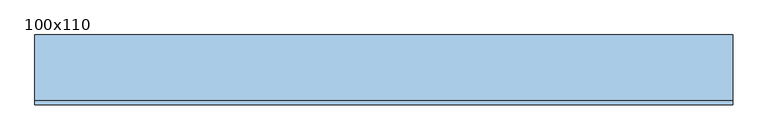
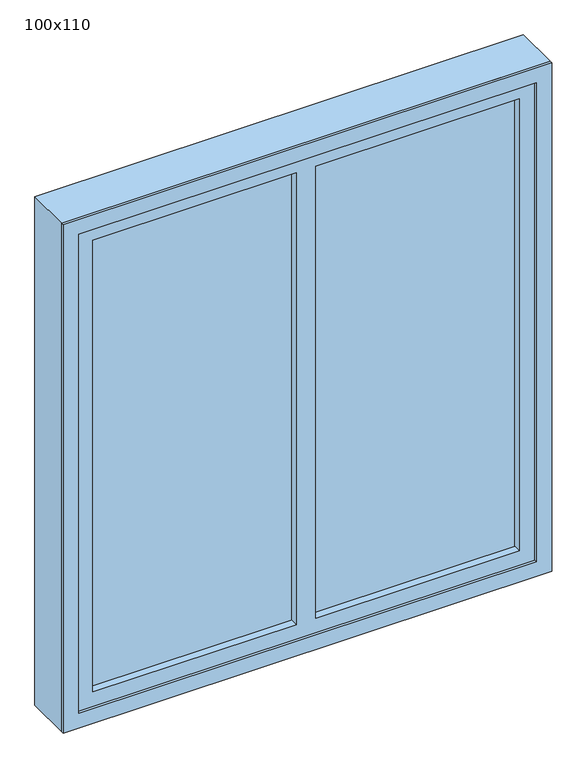
"""IFC4 building model written with IfcOpenShell, lengths in millimetres: window geometry, 100x110."""

from ifc_helpers import new_model, si_unit, frame, origin, place, context, project, spatial, polyline, outline, extrude, faceted_brep, source, transform, mapped, element, save


def window_100x110_844a8e47(model_context):
    return source(origin(), model_context, "Body", "SolidModel", [
        extrude(outline(polyline([(398.4, -28.575), (-474.6, -28.575), (-474.6, -15.875), (398.4, -15.875), (398.4, -28.575)])), frame((0.0, 0.0, 977.9), z_axis=(0.0, 0.0, 1.0), x_axis=(1.0, 0.0, 0.0)), (0.0, 0.0, 1.0), 977.45),
        extrude(outline(polyline([(2014.4, -538.1), (914.4, -538.1), (914.4, 461.9), (2014.4, 461.9), (2014.4, -538.1)]), holes=[polyline([(1982.65, -506.35), (1982.65, 430.15), (946.15, 430.15), (946.15, -506.35), (1982.65, -506.35)])]), frame((0.0, -50.0, 0.0), z_axis=(0.0, 1.0, 0.0), x_axis=(0.0, 0.0, 1.0)), (0.0, 0.0, 1.0), 5.55),
        faceted_brep([(442.85, 0.0, 1995.35), (442.85, 0.0, 933.45), (-519.05, 0.0, 933.45), (-519.05, 0.0, 1995.35), (-58.1, 0.0, 1995.35), (-18.1, 0.0, 1995.35), (-474.6, 0.0, 1955.35), (-474.6, 0.0, 977.9), (-58.1, 0.0, 977.9), (-58.1, 0.0, 1955.35), (398.4, 0.0, 977.9), (398.4, 0.0, 1955.35), (-18.1, 0.0, 1955.35), (-18.1, 0.0, 977.9), (-474.6, -44.45, 1955.35), (-474.6, -44.45, 977.9), (-58.1, -44.45, 977.9), (398.4, -44.45, 977.9), (-18.1, -44.45, 977.9), (-58.1, -44.45, 1955.35), (398.4, -44.45, 1955.35), (-18.1, -44.45, 1955.35), (442.85, 50.0, 1995.35), (442.85, 50.0, 933.45), (-519.05, 50.0, 933.45), (-519.05, 50.0, 1995.35), (461.9, -44.45, 2014.4), (-538.1, -44.45, 2014.4), (-538.1, -44.45, 914.4), (461.9, -44.45, 914.4), (-538.1, 50.0, 2014.4), (-538.1, 50.0, 914.4), (461.9, 50.0, 914.4), (461.9, 50.0, 2014.4)], [[[0, 1, 2, 3, 4, 5], [6, 7, 8, 9], [10, 11, 12, 13]], [[7, 6, 14, 15]], [[7, 15, 16, 8]], [[17, 10, 13, 18]], [[9, 8, 16, 19]], [[11, 10, 17, 20]], [[21, 18, 13, 12]], [[22, 23, 1, 0]], [[23, 24, 2, 1]], [[24, 25, 3, 2]], [[26, 27, 28, 29], [15, 14, 19, 16], [20, 17, 18, 21]], [[28, 27, 30, 31]], [[29, 28, 31, 32]], [[26, 29, 32, 33]], [[33, 32, 31, 30], [22, 25, 24, 23]], [[26, 33, 30, 27]], [[14, 6, 9, 19]], [[11, 20, 21, 12]], [[25, 22, 0, 5, 4, 3]]]),
    ])


if __name__ == "__main__":
    model = new_model("IFC4")
    model_context = context("Model", 3, world=origin())
    ifc_project = project(units=[si_unit("LENGTHUNIT", "METRE", prefix="MILLI")], contexts=[model_context])
    site = spatial("IfcSite", under=ifc_project)
    building = spatial("IfcBuilding", under=site)
    placement = place(None, origin())
    window_100x110_shape = window_100x110_844a8e47(model_context)
    element("IfcWindow", 1, ObjectType="100x110", at=placement, inside=building, context=model_context, shape_type="MappedRepresentation", body=[
        mapped(window_100x110_shape, transform((0.0, 0.0, 0.0), x_axis=(1.0, 0.0, 0.0), y_axis=(0.0, 1.0, 0.0), z_axis=(0.0, 0.0, 1.0))),
    ])
    save(model, "model.ifc")
